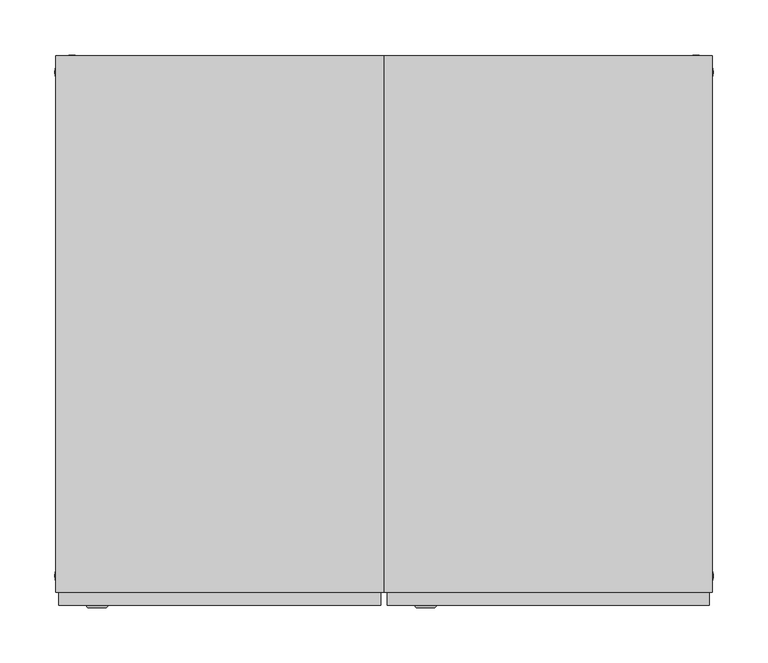
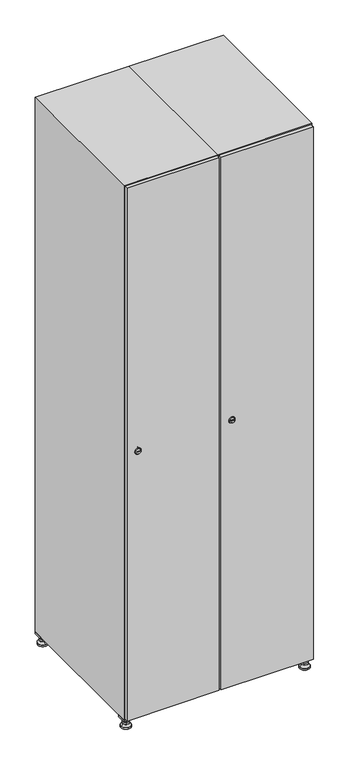
"""IFC4 building model written with IfcOpenShell, lengths in millimetres: furniture geometry."""

from ifc_helpers import new_model, si_unit, point, frame, frame_2d, origin, origin_with_axes, place, context, project, spatial, polyline, circle_curve, trimmed, segment, composite_curve, outline, extrude, faceted_brep, source, transform, mapped, element, save
from ifc_brep_helpers import plane_surface, revolved_surface, advanced_brep


def furniture_320ed45d(model_context):
    return source(origin(), model_context, "Body", "SolidModel", [
        extrude(outline(polyline([(400.0, 245.0), (400.0, 215.0), (370.0, 215.0), (370.0, 245.0), (400.0, 245.0)]), holes=[polyline([(398.0, 243.0), (372.0, 243.0), (372.0, 217.0), (398.0, 217.0), (398.0, 243.0)])]), frame((0.0, 0.0, 28.5), z_axis=(0.0, 0.0, 1.0), x_axis=(1.0, 0.0, 0.0)), (0.0, 0.0, 1.0), 6.5),
        extrude(outline(polyline([(370.0, -245.0), (370.0, -215.0), (400.0, -215.0), (400.0, -245.0), (370.0, -245.0)]), holes=[polyline([(372.0, -243.0), (398.0, -243.0), (398.0, -217.0), (372.0, -217.0), (372.0, -243.0)])]), frame((0.0, 0.0, 28.5), z_axis=(0.0, 0.0, 1.0), x_axis=(1.0, 0.0, 0.0)), (0.0, 0.0, 1.0), 6.5),
        extrude(outline(polyline([(-170.0, 245.0), (-170.0, 215.0), (-200.0, 215.0), (-200.0, 245.0), (-170.0, 245.0)]), holes=[polyline([(-172.0, 243.0), (-198.0, 243.0), (-198.0, 217.0), (-172.0, 217.0), (-172.0, 243.0)])]), frame((0.0, 0.0, 28.5), z_axis=(0.0, 0.0, 1.0), x_axis=(1.0, 0.0, 0.0)), (0.0, 0.0, 1.0), 6.5),
        extrude(outline(polyline([(-170.0, -215.0), (-170.0, -245.0), (-200.0, -245.0), (-200.0, -215.0), (-170.0, -215.0)]), holes=[polyline([(-198.0, -243.0), (-172.0, -243.0), (-172.0, -217.0), (-198.0, -217.0), (-198.0, -243.0)])]), frame((0.0, 0.0, 28.5), z_axis=(0.0, 0.0, 1.0), x_axis=(1.0, 0.0, 0.0)), (0.0, 0.0, 1.0), 6.5),
        extrude(outline(composite_curve([segment(trimmed(circle_curve(frame_2d((-185.0, 230.0)), 5.0), [point((-180.0, 230.0))], [point((-190.0, 230.0))], False, "CARTESIAN"), True, "CONTINUOUS"), segment(trimmed(circle_curve(frame_2d((-185.0, 230.0)), 5.0), [point((-190.0, 230.0))], [point((-180.0, 230.0))], False, "CARTESIAN"), True, "CONTINUOUS")], self_intersect=False)), frame((0.0, 0.0, 19.6), z_axis=(0.0, 0.0, 1.0), x_axis=(1.0, 0.0, 0.0)), (0.0, 0.0, 1.0), 15.4),
        extrude(outline(composite_curve([segment(trimmed(circle_curve(frame_2d((-185.0, -230.0)), 5.0), [point((-180.0, -230.0))], [point((-190.0, -230.0))], False, "CARTESIAN"), True, "CONTINUOUS"), segment(trimmed(circle_curve(frame_2d((-185.0, -230.0)), 5.0), [point((-190.0, -230.0))], [point((-180.0, -230.0))], False, "CARTESIAN"), True, "CONTINUOUS")], self_intersect=False)), frame((0.0, 0.0, 19.6), z_axis=(0.0, 0.0, 1.0), x_axis=(1.0, 0.0, 0.0)), (0.0, 0.0, 1.0), 15.4),
        extrude(outline(composite_curve([segment(trimmed(circle_curve(frame_2d((385.0, 230.0)), 5.0), [point((390.0, 230.0))], [point((380.0, 230.0))], False, "CARTESIAN"), True, "CONTINUOUS"), segment(trimmed(circle_curve(frame_2d((385.0, 230.0)), 5.0), [point((380.0, 230.0))], [point((390.0, 230.0))], False, "CARTESIAN"), True, "CONTINUOUS")], self_intersect=False)), frame((0.0, 0.0, 19.6), z_axis=(0.0, 0.0, 1.0), x_axis=(1.0, 0.0, 0.0)), (0.0, 0.0, 1.0), 15.4),
        extrude(outline(polyline([(373.4529946, 230.0), (379.2264973, 240.0), (390.7735027, 240.0), (396.5470054, 230.0), (390.7735027, 220.0), (379.2264973, 220.0), (373.4529946, 230.0)])), frame((0.0, 0.0, 13.6), z_axis=(0.0, 0.0, 1.0), x_axis=(1.0, 0.0, 0.0)), (0.0, 0.0, 1.0), 6.0),
        extrude(outline(composite_curve([segment(trimmed(circle_curve(frame_2d((385.0, -230.0)), 5.0), [point((390.0, -230.0))], [point((380.0, -230.0))], False, "CARTESIAN"), True, "CONTINUOUS"), segment(trimmed(circle_curve(frame_2d((385.0, -230.0)), 5.0), [point((380.0, -230.0))], [point((390.0, -230.0))], False, "CARTESIAN"), True, "CONTINUOUS")], self_intersect=False)), frame((0.0, 0.0, 19.6), z_axis=(0.0, 0.0, 1.0), x_axis=(1.0, 0.0, 0.0)), (0.0, 0.0, 1.0), 15.4),
        extrude(outline(polyline([(373.4529946, -230.0), (379.2264973, -220.0), (390.7735027, -220.0), (396.5470054, -230.0), (390.7735027, -240.0), (379.2264973, -240.0), (373.4529946, -230.0)])), frame((0.0, 0.0, 13.6), z_axis=(0.0, 0.0, 1.0), x_axis=(1.0, 0.0, 0.0)), (0.0, 0.0, 1.0), 6.0),
        extrude(outline(composite_curve([segment(trimmed(circle_curve(frame_2d((385.0, 230.0)), 5.0), [point((390.0, 230.0))], [point((380.0, 230.0))], False, "CARTESIAN"), True, "CONTINUOUS"), segment(trimmed(circle_curve(frame_2d((385.0, 230.0)), 5.0), [point((380.0, 230.0))], [point((390.0, 230.0))], False, "CARTESIAN"), True, "CONTINUOUS")], self_intersect=False)), frame((0.0, 0.0, 12.1), z_axis=(0.0, 0.0, 1.0), x_axis=(1.0, 0.0, 0.0)), (0.0, 0.0, 1.0), 1.5),
        extrude(outline(composite_curve([segment(trimmed(circle_curve(frame_2d((385.0, -230.0)), 5.0), [point((390.0, -230.0))], [point((380.0, -230.0))], False, "CARTESIAN"), True, "CONTINUOUS"), segment(trimmed(circle_curve(frame_2d((385.0, -230.0)), 5.0), [point((380.0, -230.0))], [point((390.0, -230.0))], False, "CARTESIAN"), True, "CONTINUOUS")], self_intersect=False)), frame((0.0, 0.0, 12.1), z_axis=(0.0, 0.0, 1.0), x_axis=(1.0, 0.0, 0.0)), (0.0, 0.0, 1.0), 1.5),
        extrude(outline(polyline([(-196.5470054, 230.0), (-190.7735027, 240.0), (-179.2264973, 240.0), (-173.4529946, 230.0), (-179.2264973, 220.0), (-190.7735027, 220.0), (-196.5470054, 230.0)])), frame((0.0, 0.0, 13.6), z_axis=(0.0, 0.0, 1.0), x_axis=(1.0, 0.0, 0.0)), (0.0, 0.0, 1.0), 6.0),
        extrude(outline(polyline([(-196.5470054, -230.0), (-190.7735027, -220.0), (-179.2264973, -220.0), (-173.4529946, -230.0), (-179.2264973, -240.0), (-190.7735027, -240.0), (-196.5470054, -230.0)])), frame((0.0, 0.0, 13.6), z_axis=(0.0, 0.0, 1.0), x_axis=(1.0, 0.0, 0.0)), (0.0, 0.0, 1.0), 6.0),
        extrude(outline(composite_curve([segment(trimmed(circle_curve(frame_2d((-185.0, 230.0)), 5.0), [point((-185.0, 235.0))], [point((-185.0, 225.0))], False, "CARTESIAN"), True, "CONTINUOUS"), segment(trimmed(circle_curve(frame_2d((-185.0, 230.0)), 5.0), [point((-185.0, 225.0))], [point((-185.0, 235.0))], False, "CARTESIAN"), True, "CONTINUOUS")], self_intersect=False)), frame((0.0, 0.0, 12.1), z_axis=(0.0, 0.0, 1.0), x_axis=(1.0, 0.0, 0.0)), (0.0, 0.0, 1.0), 1.5),
        extrude(outline(composite_curve([segment(trimmed(circle_curve(frame_2d((-185.0, -230.0)), 5.0), [point((-180.0, -230.0))], [point((-190.0, -230.0))], False, "CARTESIAN"), True, "CONTINUOUS"), segment(trimmed(circle_curve(frame_2d((-185.0, -230.0)), 5.0), [point((-190.0, -230.0))], [point((-180.0, -230.0))], False, "CARTESIAN"), True, "CONTINUOUS")], self_intersect=False)), frame((0.0, 0.0, 12.1), z_axis=(0.0, 0.0, 1.0), x_axis=(1.0, 0.0, 0.0)), (0.0, 0.0, 1.0), 1.5),
        extrude(outline(composite_curve([segment(trimmed(circle_curve(frame_2d((385.0, 230.0)), 15.75), [point((400.75, 230.0))], [point((369.25, 230.0))], False, "CARTESIAN"), True, "CONTINUOUS"), segment(trimmed(circle_curve(frame_2d((385.0, 230.0)), 15.75), [point((369.25, 230.0))], [point((400.75, 230.0))], False, "CARTESIAN"), True, "CONTINUOUS")], self_intersect=False)), origin_with_axes(), (0.0, 0.0, 1.0), 5.1),
        extrude(outline(composite_curve([segment(trimmed(circle_curve(frame_2d((385.0, -230.0)), 15.75), [point((385.0, -214.25))], [point((385.0, -245.75))], False, "CARTESIAN"), True, "CONTINUOUS"), segment(trimmed(circle_curve(frame_2d((385.0, -230.0)), 15.75), [point((385.0, -245.75))], [point((385.0, -214.25))], False, "CARTESIAN"), True, "CONTINUOUS")], self_intersect=False)), origin_with_axes(), (0.0, 0.0, 1.0), 5.1),
        extrude(outline(composite_curve([segment(trimmed(circle_curve(frame_2d((-185.0, -230.0)), 15.75), [point((-169.25, -230.0))], [point((-200.75, -230.0))], False, "CARTESIAN"), True, "CONTINUOUS"), segment(trimmed(circle_curve(frame_2d((-185.0, -230.0)), 15.75), [point((-200.75, -230.0))], [point((-169.25, -230.0))], False, "CARTESIAN"), True, "CONTINUOUS")], self_intersect=False)), origin_with_axes(), (0.0, 0.0, 1.0), 5.1),
        extrude(outline(composite_curve([segment(trimmed(circle_curve(frame_2d((-185.0, 230.0)), 15.75), [point((-169.25, 230.0))], [point((-200.75, 230.0))], False, "CARTESIAN"), True, "CONTINUOUS"), segment(trimmed(circle_curve(frame_2d((-185.0, 230.0)), 15.75), [point((-200.75, 230.0))], [point((-169.25, 230.0))], False, "CARTESIAN"), True, "CONTINUOUS")], self_intersect=False)), origin_with_axes(), (0.0, 0.0, 1.0), 5.1),
        advanced_brep(
        [(-185.0, 239.5, 12.1), (-185.0, 220.5, 12.1), (-185.0, 214.25, 5.1), (-185.0, 245.75, 5.1)],
        [
            (0, 1, circle_curve(frame((-185.0, 230.0, 12.1), z_axis=(0.0, 0.0, -1.0), x_axis=(0.0, 1.0, 0.0)), 9.5)),
            (1, 2),
            (2, 3, circle_curve(frame((-185.0, 230.0, 5.1), z_axis=(0.0, 0.0, 1.0), x_axis=(0.0, 1.0, 0.0)), 15.75)),
            (3, 0),
            (1, 0, circle_curve(frame((-185.0, 230.0, 12.1), z_axis=(0.0, 0.0, -1.0), x_axis=(0.0, -1.0, 0.0)), 9.5)),
            (3, 2, circle_curve(frame((-185.0, 230.0, 5.1), z_axis=(0.0, 0.0, 1.0), x_axis=(0.0, -1.0, 0.0)), 15.75)),
        ],
        [
            revolved_surface(polyline([(-185.0, 220.5, 12.099999999999998), (-185.0, 214.25, 5.099999999999998)]), (-185.0, 230.0, 22.74), (0.0, 0.0, -1.0)),
            revolved_surface(polyline([(-185.0, 239.5, 12.099999999999998), (-185.0, 245.75, 5.099999999999998)]), (-185.0, 230.0, 22.74), (0.0, 0.0, -1.0)),
            plane_surface(frame((-185.0, 230.0, 5.1), z_axis=(0.0, 0.0, -1.0), x_axis=(1.0, 0.0, 0.0))),
            plane_surface(frame((-185.0, 230.0, 12.1), z_axis=(0.0, 0.0, 1.0), x_axis=(1.0, 0.0, 0.0))),
        ],
        [
            (0, [[1, 2, 3, 4]]),
            (1, [[5, -4, 6, -2]]),
            (2, [[-3, -6]]),
            (3, [[-5, -1]]),
        ],
    ),
        advanced_brep(
        [(385.0, 239.5, 12.1), (385.0, 220.5, 12.1), (385.0, 214.25, 5.1), (385.0, 245.75, 5.1)],
        [
            (0, 1, circle_curve(frame((385.0, 230.0, 12.1), z_axis=(0.0, 0.0, -1.0), x_axis=(0.0, 1.0, 0.0)), 9.5)),
            (1, 2),
            (2, 3, circle_curve(frame((385.0, 230.0, 5.1), z_axis=(0.0, 0.0, 1.0), x_axis=(0.0, 1.0, 0.0)), 15.75)),
            (3, 0),
            (1, 0, circle_curve(frame((385.0, 230.0, 12.1), z_axis=(0.0, 0.0, -1.0), x_axis=(0.0, -1.0, 0.0)), 9.5)),
            (3, 2, circle_curve(frame((385.0, 230.0, 5.1), z_axis=(0.0, 0.0, 1.0), x_axis=(0.0, -1.0, 0.0)), 15.75)),
        ],
        [
            revolved_surface(polyline([(385.0, 220.5, 12.099999999999998), (385.0, 214.25, 5.099999999999998)]), (385.0, 230.0, 22.74), (0.0, 0.0, -1.0)),
            revolved_surface(polyline([(385.0, 239.5, 12.099999999999998), (385.0, 245.75, 5.099999999999998)]), (385.0, 230.0, 22.74), (0.0, 0.0, -1.0)),
            plane_surface(frame((385.0, 230.0, 5.1), z_axis=(0.0, 0.0, -1.0), x_axis=(1.0, 0.0, 0.0))),
            plane_surface(frame((385.0, 230.0, 12.1), z_axis=(0.0, 0.0, 1.0), x_axis=(1.0, 0.0, 0.0))),
        ],
        [
            (0, [[1, 2, 3, 4]]),
            (1, [[5, -4, 6, -2]]),
            (2, [[-3, -6]]),
            (3, [[-5, -1]]),
        ],
    ),
        advanced_brep(
        [(400.75, -230.0, 5.1), (369.25, -230.0, 5.1), (375.5, -230.0, 12.1), (394.5, -230.0, 12.1)],
        [
            (0, 1, circle_curve(frame((385.0, -230.0, 5.1), z_axis=(0.0, 0.0, 1.0), x_axis=(1.0, 0.0, 0.0)), 15.75)),
            (1, 2),
            (2, 3, circle_curve(frame((385.0, -230.0, 12.1), z_axis=(0.0, 0.0, -1.0), x_axis=(1.0, 0.0, 0.0)), 9.5)),
            (3, 0),
            (1, 0, circle_curve(frame((385.0, -230.0, 5.1), z_axis=(0.0, 0.0, 1.0), x_axis=(-1.0, 0.0, 0.0)), 15.75)),
            (3, 2, circle_curve(frame((385.0, -230.0, 12.1), z_axis=(0.0, 0.0, -1.0), x_axis=(-1.0, 0.0, 0.0)), 9.5)),
        ],
        [
            revolved_surface(polyline([(394.5, -230.0, 12.099999999999998), (400.75, -230.0, 5.099999999999998)]), (385.0, -230.0, 22.74), (0.0, 0.0, -1.0)),
            revolved_surface(polyline([(375.5, -230.0, 12.099999999999998), (369.25, -230.0, 5.099999999999998)]), (385.0, -230.0, 22.74), (0.0, 0.0, -1.0)),
            plane_surface(frame((385.0, -230.0, 12.1), z_axis=(0.0, 0.0, 1.0), x_axis=(0.0, 1.0, 0.0))),
            plane_surface(frame((385.0, -230.0, 5.1), z_axis=(0.0, 0.0, -1.0), x_axis=(0.0, 1.0, 0.0))),
        ],
        [
            (0, [[1, 2, 3, 4]]),
            (1, [[5, -4, 6, -2]]),
            (2, [[-3, -6]]),
            (3, [[-5, -1]]),
        ],
    ),
        advanced_brep(
        [(-169.25, -230.0, 5.1), (-200.75, -230.0, 5.1), (-194.5, -230.0, 12.1), (-175.5, -230.0, 12.1)],
        [
            (0, 1, circle_curve(frame((-185.0, -230.0, 5.1), z_axis=(0.0, 0.0, 1.0), x_axis=(1.0, 0.0, 0.0)), 15.75)),
            (1, 2),
            (2, 3, circle_curve(frame((-185.0, -230.0, 12.1), z_axis=(0.0, 0.0, -1.0), x_axis=(1.0, 0.0, 0.0)), 9.5)),
            (3, 0),
            (1, 0, circle_curve(frame((-185.0, -230.0, 5.1), z_axis=(0.0, 0.0, 1.0), x_axis=(-1.0, 0.0, 0.0)), 15.75)),
            (3, 2, circle_curve(frame((-185.0, -230.0, 12.1), z_axis=(0.0, 0.0, -1.0), x_axis=(-1.0, 0.0, 0.0)), 9.5)),
        ],
        [
            revolved_surface(polyline([(-175.5, -230.0, 12.099999999999998), (-169.25, -230.0, 5.099999999999998)]), (-185.0, -230.0, 22.74), (0.0, 0.0, -1.0)),
            revolved_surface(polyline([(-194.5, -230.0, 12.099999999999998), (-200.75, -230.0, 5.099999999999998)]), (-185.0, -230.0, 22.74), (0.0, 0.0, -1.0)),
            plane_surface(frame((-185.0, -230.0, 12.1), z_axis=(0.0, 0.0, 1.0), x_axis=(0.0, 1.0, 0.0))),
            plane_surface(frame((-185.0, -230.0, 5.1), z_axis=(0.0, 0.0, -1.0), x_axis=(0.0, 1.0, 0.0))),
        ],
        [
            (0, [[1, 2, 3, 4]]),
            (1, [[5, -4, 6, -2]]),
            (2, [[-3, -6]]),
            (3, [[-5, -1]]),
        ],
    ),
        extrude(outline(composite_curve([segment(trimmed(circle_curve(frame_2d((935.0, 111.2010534)), 7.0), [point((942.0, 111.2010534))], [point((928.0, 111.2010534))], False, "CARTESIAN"), True, "CONTINUOUS"), segment(polyline([(928.0, 111.2010534), (928.0, 139.2010534)]), True, "CONTINUOUS"), segment(trimmed(circle_curve(frame_2d((935.0, 139.2010534)), 7.0), [point((928.0, 139.2010534))], [point((942.0, 139.2010534))], False, "CARTESIAN"), True, "CONTINUOUS"), segment(polyline([(942.0, 139.2010534), (942.0, 111.2010534)]), True, "CONTINUOUS")], self_intersect=False)), frame((0.0, -245.0, 0.0), z_axis=(0.0, 1.0, 0.0), x_axis=(0.0, 0.0, 1.0)), (0.0, 0.0, 1.0), 2.0),
        advanced_brep(
        [(146.5, -259.2, 935.0), (129.5, -259.2, 935.0), (133.0, -259.2, 933.75), (133.0, -259.2, 936.25), (143.0, -259.2, 936.25), (143.0, -259.2, 933.75), (148.5, -257.0, 935.0), (127.5, -257.0, 935.0), (133.0, -257.0, 936.25), (133.0, -257.0, 933.75), (143.0, -257.0, 933.75), (143.0, -257.0, 936.25)],
        [
            (0, 1, circle_curve(frame((138.0, -259.2, 935.0), z_axis=(0.0, -1.0, 0.0), x_axis=(1.0, 0.0, 0.0)), 8.5)),
            (1, 0, circle_curve(frame((138.0, -259.2, 935.0), z_axis=(0.0, -1.0, 0.0), x_axis=(-1.0, 0.0, 0.0)), 8.5)),
            (2, 3),
            (3, 4),
            (4, 5),
            (5, 2),
            (6, 7, circle_curve(frame((138.0, -257.0, 935.0), z_axis=(0.0, 1.0, 0.0), x_axis=(-1.0, 0.0, 0.0)), 10.5)),
            (7, 6, circle_curve(frame((138.0, -257.0, 935.0), z_axis=(0.0, 1.0, 0.0), x_axis=(1.0, 0.0, 0.0)), 10.5)),
            (8, 9),
            (9, 10),
            (10, 11),
            (11, 8),
            (0, 6),
            (7, 1),
            (8, 3),
            (2, 9),
            (11, 4),
            (10, 5),
        ],
        [
            plane_surface(frame((138.0, -259.2, 935.0), z_axis=(0.0, -1.0, 0.0), x_axis=(0.0, 0.0, 1.0))),
            plane_surface(frame((138.0, -257.0, 935.0), z_axis=(0.0, 1.0, 0.0), x_axis=(0.0, 0.0, 1.0))),
            revolved_surface(polyline([(146.5, -259.2, 935.0), (148.5, -257.0, 935.0)]), (138.0, -268.55, 935.0), (0.0, 1.0, 0.0)),
            revolved_surface(polyline([(129.5, -259.2, 935.0), (127.5, -257.0, 935.0)]), (138.0, -268.55, 935.0), (0.0, 1.0, 0.0)),
            plane_surface(frame((133.0, -257.0, 933.75), z_axis=(1.0, 0.0, 0.0), x_axis=(0.0, -1.0, 0.0))),
            plane_surface(frame((133.0, -257.0, 936.25), z_axis=(0.0, 0.0, -1.0), x_axis=(0.0, -1.0, 0.0))),
            plane_surface(frame((143.0, -257.0, 936.25), z_axis=(-1.0, 0.0, 0.0), x_axis=(0.0, -1.0, 0.0))),
            plane_surface(frame((143.0, -257.0, 933.75), z_axis=(0.0, 0.0, 1.0), x_axis=(0.0, -1.0, 0.0))),
        ],
        [
            (0, [[1, 2], [3, 4, 5, 6]]),
            (1, [[7, 8], [9, 10, 11, 12]]),
            (2, [[-1, 13, -8, 14]]),
            (3, [[-2, -14, -7, -13]]),
            (4, [[15, -3, 16, -9]]),
            (5, [[-15, -12, 17, -4]]),
            (6, [[-17, -11, 18, -5]]),
            (7, [[-16, -6, -18, -10]]),
        ],
    ),
        extrude(outline(polyline([(397.0, -245.0), (397.0, -257.0), (103.0, -257.0), (103.0, -245.0), (397.0, -245.0)])), frame((0.0, 0.0, 38.0), z_axis=(0.0, 0.0, 1.0), x_axis=(1.0, 0.0, 0.0)), (0.0, 0.0, 1.0), 1794.0),
        faceted_brep([(400.0, -245.0, 35.0), (400.0, -245.0, 1835.0), (100.0, -245.0, 1835.0), (100.0, -245.0, 35.0), (379.6, -245.0, 1804.8), (379.6, -245.0, 65.2), (120.4, -245.0, 65.2), (120.4, -245.0, 1804.8), (400.0, 245.0, 35.0), (100.0, 245.0, 35.0), (400.0, 245.0, 1835.0), (100.0, 245.0, 1835.0), (379.6, 242.0, 1804.8), (379.6, 242.0, 65.2), (100.0, 245.0, 1804.8), (120.4, 242.0, 1804.8), (120.4, 242.0, 65.2)], [[[0, 1, 2, 3], [4, 5, 6, 7]], [[8, 0, 3, 9]], [[1, 0, 8, 10]], [[1, 10, 11, 2]], [[4, 12, 13, 5]], [[9, 3, 2, 11, 14]], [[10, 8, 9, 14, 11]], [[12, 15, 16, 13]], [[15, 7, 6, 16]], [[4, 7, 15, 12]], [[6, 5, 13, 16]]]),
        extrude(outline(composite_curve([segment(trimmed(circle_curve(frame_2d((935.0, -188.7989466)), 7.0), [point((942.0, -188.7989466))], [point((928.0, -188.7989466))], False, "CARTESIAN"), True, "CONTINUOUS"), segment(polyline([(928.0, -188.7989466), (928.0, -160.7989466)]), True, "CONTINUOUS"), segment(trimmed(circle_curve(frame_2d((935.0, -160.7989466)), 7.0), [point((928.0, -160.7989466))], [point((942.0, -160.7989466))], False, "CARTESIAN"), True, "CONTINUOUS"), segment(polyline([(942.0, -160.7989466), (942.0, -188.7989466)]), True, "CONTINUOUS")], self_intersect=False)), frame((0.0, -245.0, 0.0), z_axis=(0.0, 1.0, 0.0), x_axis=(0.0, 0.0, 1.0)), (0.0, 0.0, 1.0), 2.0),
        advanced_brep(
        [(-153.5, -259.2, 935.0), (-170.5, -259.2, 935.0), (-167.0, -259.2, 933.75), (-167.0, -259.2, 936.25), (-157.0, -259.2, 936.25), (-157.0, -259.2, 933.75), (-151.5, -257.0, 935.0), (-172.5, -257.0, 935.0), (-167.0, -257.0, 936.25), (-167.0, -257.0, 933.75), (-157.0, -257.0, 933.75), (-157.0, -257.0, 936.25)],
        [
            (0, 1, circle_curve(frame((-162.0, -259.2, 935.0), z_axis=(0.0, -1.0, 0.0), x_axis=(1.0, 0.0, 0.0)), 8.5)),
            (1, 0, circle_curve(frame((-162.0, -259.2, 935.0), z_axis=(0.0, -1.0, 0.0), x_axis=(-1.0, 0.0, 0.0)), 8.5)),
            (2, 3),
            (3, 4),
            (4, 5),
            (5, 2),
            (6, 7, circle_curve(frame((-162.0, -257.0, 935.0), z_axis=(0.0, 1.0, 0.0), x_axis=(-1.0, 0.0, 0.0)), 10.5)),
            (7, 6, circle_curve(frame((-162.0, -257.0, 935.0), z_axis=(0.0, 1.0, 0.0), x_axis=(1.0, 0.0, 0.0)), 10.5)),
            (8, 9),
            (9, 10),
            (10, 11),
            (11, 8),
            (0, 6),
            (7, 1),
            (8, 3),
            (2, 9),
            (11, 4),
            (10, 5),
        ],
        [
            plane_surface(frame((-162.0, -259.2, 935.0), z_axis=(0.0, -1.0, 0.0), x_axis=(0.0, 0.0, 1.0))),
            plane_surface(frame((-162.0, -257.0, 935.0), z_axis=(0.0, 1.0, 0.0), x_axis=(0.0, 0.0, 1.0))),
            revolved_surface(polyline([(-153.5, -259.2, 935.0), (-151.5, -257.0, 935.0)]), (-162.0, -268.55, 935.0), (0.0, 1.0, 0.0)),
            revolved_surface(polyline([(-170.5, -259.2, 935.0), (-172.5, -257.0, 935.0)]), (-162.0, -268.55, 935.0), (0.0, 1.0, 0.0)),
            plane_surface(frame((-167.0, -257.0, 933.75), z_axis=(1.0, 0.0, 0.0), x_axis=(0.0, -1.0, 0.0))),
            plane_surface(frame((-167.0, -257.0, 936.25), z_axis=(0.0, 0.0, -1.0), x_axis=(0.0, -1.0, 0.0))),
            plane_surface(frame((-157.0, -257.0, 936.25), z_axis=(-1.0, 0.0, 0.0), x_axis=(0.0, -1.0, 0.0))),
            plane_surface(frame((-157.0, -257.0, 933.75), z_axis=(0.0, 0.0, 1.0), x_axis=(0.0, -1.0, 0.0))),
        ],
        [
            (0, [[1, 2], [3, 4, 5, 6]]),
            (1, [[7, 8], [9, 10, 11, 12]]),
            (2, [[-1, 13, -8, 14]]),
            (3, [[-2, -14, -7, -13]]),
            (4, [[15, -3, 16, -9]]),
            (5, [[-15, -12, 17, -4]]),
            (6, [[-17, -11, 18, -5]]),
            (7, [[-16, -6, -18, -10]]),
        ],
    ),
        extrude(outline(polyline([(97.0, -245.0), (97.0, -257.0), (-197.0, -257.0), (-197.0, -245.0), (97.0, -245.0)])), frame((0.0, 0.0, 38.0), z_axis=(0.0, 0.0, 1.0), x_axis=(1.0, 0.0, 0.0)), (0.0, 0.0, 1.0), 1794.0),
        faceted_brep([(100.0, -245.0, 35.0), (100.0, -245.0, 1835.0), (-200.0, -245.0, 1835.0), (-200.0, -245.0, 35.0), (79.6, -245.0, 1804.8), (79.6, -245.0, 65.2), (-179.6, -245.0, 65.2), (-179.6, -245.0, 1804.8), (100.0, 245.0, 35.0), (-200.0, 245.0, 35.0), (100.0, 245.0, 1835.0), (-200.0, 245.0, 1835.0), (79.6, 242.0, 1804.8), (79.6, 242.0, 65.2), (-200.0, 245.0, 1804.8), (-179.6, 242.0, 1804.8), (-179.6, 242.0, 65.2)], [[[0, 1, 2, 3], [4, 5, 6, 7]], [[8, 0, 3, 9]], [[1, 0, 8, 10]], [[1, 10, 11, 2]], [[4, 12, 13, 5]], [[9, 3, 2, 11, 14]], [[10, 8, 9, 14, 11]], [[12, 15, 16, 13]], [[15, 7, 6, 16]], [[4, 7, 15, 12]], [[6, 5, 13, 16]]]),
    ])


if __name__ == "__main__":
    model = new_model("IFC4")
    model_context = context("Model", 3, world=origin())
    ifc_project = project(units=[si_unit("LENGTHUNIT", "METRE", prefix="MILLI")], contexts=[model_context])
    site = spatial("IfcSite", under=ifc_project)
    building = spatial("IfcBuilding", under=site)
    placement = place(None, origin())
    furniture_shape = furniture_320ed45d(model_context)
    element("IfcFurniture", 1, at=placement, inside=building, context=model_context, shape_type="MappedRepresentation", body=[
        mapped(furniture_shape, transform((0.0, 0.0, 0.0), x_axis=(1.0, 0.0, 0.0), y_axis=(0.0, 1.0, 0.0), z_axis=(0.0, 0.0, 1.0))),
    ])
    save(model, "model.ifc")
